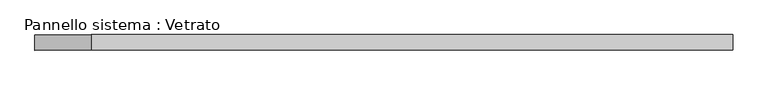
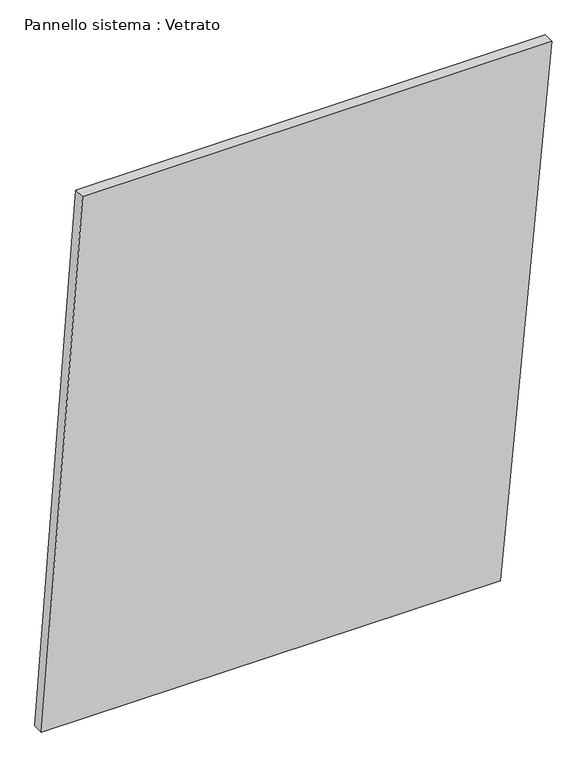
"""IFC4 building model written with IfcOpenShell, lengths in millimetres: plate geometry, Pannello sistema : Vetrato."""

from ifc_helpers import new_model, si_unit, frame, origin, place, context, project, spatial, polyline, outline, extrude, source, transform, mapped, element, save


def pannello_sistema_vetrato_20975c9e(model_context):
    return source(origin(), model_context, "Body", "SweptSolid", [
        extrude(outline(polyline([(1.7828181, -675.8398304), (0.0, 539.9142286), (1461.5369652, 675.8398304), (1461.5369652, -567.1905547), (1.7828181, -675.8398304)])), frame((0.0, -15.0, 0.0), z_axis=(0.0, 1.0, 0.0), x_axis=(0.0, 0.0, 1.0)), (0.0, 0.0, 1.0), 30.0),
    ])


if __name__ == "__main__":
    model = new_model("IFC4")
    model_context = context("Model", 3, world=origin())
    ifc_project = project(units=[si_unit("LENGTHUNIT", "METRE", prefix="MILLI")], contexts=[model_context])
    site = spatial("IfcSite", under=ifc_project)
    building = spatial("IfcBuilding", under=site)
    placement = place(None, origin())
    pannello_sistema_vetrato_shape = pannello_sistema_vetrato_20975c9e(model_context)
    element("IfcPlate", 1, ObjectType="Pannello sistema : Vetrato", at=placement, inside=building, context=model_context, shape_type="MappedRepresentation", body=[
        mapped(pannello_sistema_vetrato_shape, transform((0.0, 0.0, 0.0), x_axis=(1.0, 0.0, 0.0), y_axis=(0.0, 1.0, 0.0), z_axis=(0.0, 0.0, 1.0))),
    ])
    save(model, "model.ifc")
